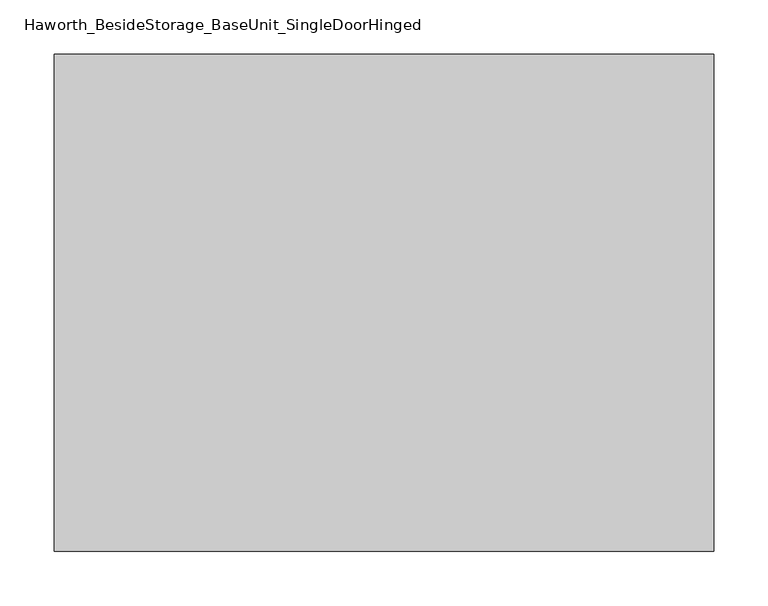
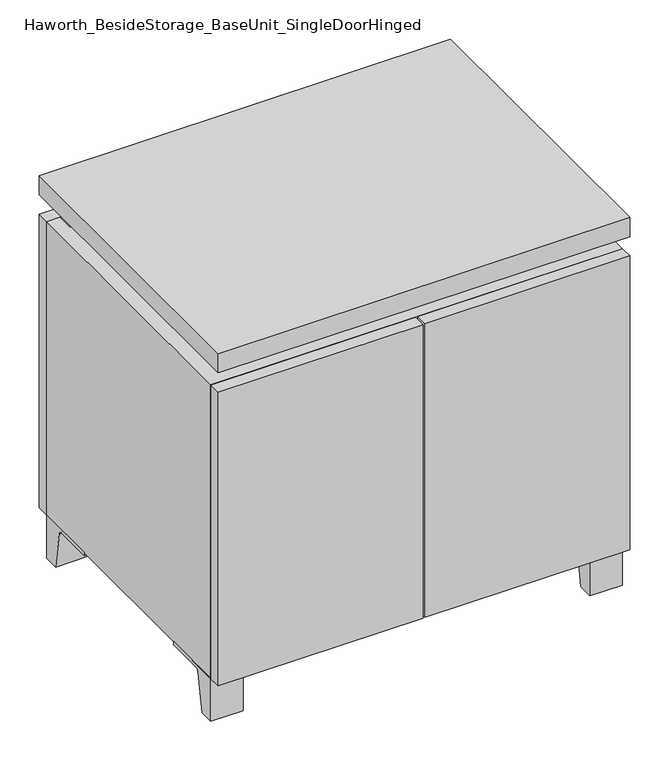
"""IFC4 building model written with IfcOpenShell, lengths in millimetres: furniture geometry, Haworth_BesideStorage_BaseUnit_SingleDoorHinged."""

import ifcopenshell
import ifcopenshell.guid

model = None  # the IFC model being written
_history = None  # IfcOwnerHistory: only IFC2X3 demands one
_inside = {}  # id of a spatial element -> (the spatial element, [elements in it])
_under = {}  # id of a project, library or spatial element -> (it, [spatial elements below it])
_declared = {}  # id of a project -> (the project, [libraries it declares])
_typed = {}  # id of a type object -> (the type object, [elements of that type])
_made_of = {}  # id of a material, layer set ... -> (it, [elements and type objects made of it])


def new_model(schema):
    """Start an empty IFC model of exactly this schema.

    Asked for "IFC4X3", IfcOpenShell would pick the latest addendum, in which some entities
    have other attributes; the version numbers below select the first issue.
    IFC2X3 requires an IfcOwnerHistory on every rooted entity: one is made here for all.
    """
    global model, _history
    if schema == "IFC4X3":
        model = ifcopenshell.file(schema_version=(4, 3, 0, 0))
    else:
        model = ifcopenshell.file(schema=schema)
    _inside.clear()
    _under.clear()
    _declared.clear()
    _typed.clear()
    _made_of.clear()
    _history = None
    if model.schema == "IFC2X3":
        org = make("IfcOrganization", Name="unknown")
        user = make(
            "IfcPersonAndOrganization",
            ThePerson=make("IfcPerson", FamilyName="unknown"),
            TheOrganization=org,
        )
        app = make(
            "IfcApplication",
            ApplicationDeveloper=org,
            Version="unknown",
            ApplicationFullName="unknown",
            ApplicationIdentifier="unknown",
        )
        _history = make(
            "IfcOwnerHistory",
            OwningUser=user,
            OwningApplication=app,
            ChangeAction="ADDED",
            CreationDate=0,
        )
    return model


def make(cls, **values):
    """One entity of the class cls with the attributes given. An attribute that is None is left unset."""
    return model.create_entity(
        cls, **{name: value for name, value in values.items() if value is not None}
    )


def rooted(cls, **values):
    """An entity with a GlobalId (a new one), such as an element, a storey or a relation."""
    return make(cls, GlobalId=ifcopenshell.guid.new(), OwnerHistory=_history, **values)


def si_unit(unit_type, name, prefix=None):
    """IfcSIUnit, for example si_unit("LENGTHUNIT", "METRE", prefix="MILLI")."""
    return make("IfcSIUnit", UnitType=unit_type, Prefix=prefix, Name=name)


def assignment(units):
    """IfcUnitAssignment: the units of a project."""
    return None if units is None else make("IfcUnitAssignment", Units=units)


def point(xyz):
    """IfcCartesianPoint."""
    return None if xyz is None else make("IfcCartesianPoint", Coordinates=xyz)


def direction(xyz):
    """IfcDirection."""
    return None if xyz is None else make("IfcDirection", DirectionRatios=xyz)


def frame(location, z_axis=None, x_axis=None):
    """IfcAxis2Placement3D, a coordinate frame: its origin and axes. An axis left out is left unset."""
    return make(
        "IfcAxis2Placement3D",
        Location=point(location),
        Axis=direction(z_axis),
        RefDirection=direction(x_axis),
    )


def frame_2d(location, x_axis=None):
    """IfcAxis2Placement2D, a coordinate frame in the plane: its origin and x axis."""
    return make(
        "IfcAxis2Placement2D", Location=point(location), RefDirection=direction(x_axis)
    )


def origin():
    """The frame at (0, 0, 0) with its axes left unset."""
    return frame((0.0, 0.0, 0.0))


def place(relative_to, where):
    """IfcLocalPlacement: puts the frame where relative to a parent placement (None: the world)."""
    return make(
        "IfcLocalPlacement", PlacementRelTo=relative_to, RelativePlacement=where
    )


def context(
    kind, dimensions, precision=None, world=None, true_north=None, identifier=None
):
    """IfcGeometricRepresentationContext, for example the 3D "Model" context."""
    return make(
        "IfcGeometricRepresentationContext",
        ContextIdentifier=identifier,
        ContextType=kind,
        CoordinateSpaceDimension=dimensions,
        Precision=precision,
        WorldCoordinateSystem=world,
        TrueNorth=true_north,
    )


def project(units=None, contexts=None):
    """IfcProject with its units and contexts."""
    return rooted(
        "IfcProject",
        Name="project",
        RepresentationContexts=contexts,
        UnitsInContext=assignment(units),
    )


def spatial(cls, under=None, at=None, **own):
    """A site, building, storey or space (cls), placed at a placement, below another one or the project."""
    s = rooted(cls, ObjectPlacement=at, **own)
    if under is not None:
        _under.setdefault(under.id(), (under, []))[1].append(s)
    return s


def polyline(points):
    """IfcPolyline through the points."""
    return make("IfcPolyline", Points=[point(p) for p in points])


def circle_curve(where, radius):
    """IfcCircle in the frame where."""
    return make("IfcCircle", Position=where, Radius=radius)


def trimmed(basis, trim1, trim2, sense, master):
    """IfcTrimmedCurve: the piece of a basis curve between two trims."""
    return make(
        "IfcTrimmedCurve",
        BasisCurve=basis,
        Trim1=trim1,
        Trim2=trim2,
        SenseAgreement=sense,
        MasterRepresentation=master,
    )


def segment(curve, same_sense, transition):
    """IfcCompositeCurveSegment."""
    return make(
        "IfcCompositeCurveSegment",
        Transition=transition,
        SameSense=same_sense,
        ParentCurve=curve,
    )


def composite_curve(segments, self_intersect=None):
    """IfcCompositeCurve: segments joined end to end."""
    return make("IfcCompositeCurve", Segments=segments, SelfIntersect=self_intersect)


def outline(outer, holes=None, kind="AREA"):
    """IfcArbitraryClosedProfileDef: a profile drawn as a closed curve; with holes, ...WithVoids."""
    if holes is None:
        return make("IfcArbitraryClosedProfileDef", ProfileType=kind, OuterCurve=outer)
    return make(
        "IfcArbitraryProfileDefWithVoids",
        ProfileType=kind,
        OuterCurve=outer,
        InnerCurves=holes,
    )


def extrude(swept, where, along, depth):
    """IfcExtrudedAreaSolid: the profile swept, set in the frame where, extruded along a direction by depth."""
    return make(
        "IfcExtrudedAreaSolid",
        SweptArea=swept,
        Position=where,
        ExtrudedDirection=direction(along),
        Depth=depth,
    )


def faces_of(points, faces, orient=None, outer=None):
    """IfcFace entities. A face is a list of loops; a loop is a list of indices into points, from 0.

    orient and outer hold one flag for each loop. By default every Orientation is true, the
    first loop of a face is its IfcFaceOuterBound and the others are IfcFaceBound.
    """
    made = []
    for i, loops in enumerate(faces):
        bounds = []
        for j, loop in enumerate(loops):
            is_outer = j == 0 if outer is None else outer[i][j]
            bounds.append(
                make(
                    "IfcFaceOuterBound" if is_outer else "IfcFaceBound",
                    Bound=make("IfcPolyLoop", Polygon=[points[k] for k in loop]),
                    Orientation=True if orient is None else orient[i][j],
                )
            )
        made.append(make("IfcFace", Bounds=bounds))
    return made


def faceted_brep(points, faces, orient=None, outer=None, voids=None):
    """IfcFacetedBrep: a solid bounded by flat faces; with voids (closed shells), ...WithVoids."""
    shared = [point(p) for p in points]
    hull = make("IfcClosedShell", CfsFaces=faces_of(shared, faces, orient, outer))
    if voids is None:
        return make("IfcFacetedBrep", Outer=hull)
    return make(
        "IfcFacetedBrepWithVoids",
        Outer=hull,
        Voids=[
            make(cls, CfsFaces=faces_of(shared, fs, o, b)) for cls, fs, o, b in voids
        ],
    )


def shape(context_of_items, identifier, shape_type, items):
    """IfcShapeRepresentation: the items that make up one representation, for example the "Body"."""
    return make(
        "IfcShapeRepresentation",
        ContextOfItems=context_of_items,
        RepresentationIdentifier=identifier,
        RepresentationType=shape_type,
        Items=items,
    )


def source(mapping_origin, context_of_items, identifier, shape_type, items):
    """IfcRepresentationMap: a shape defined once, which mapped items show again and again."""
    return make(
        "IfcRepresentationMap",
        MappingOrigin=mapping_origin,
        MappedRepresentation=shape(context_of_items, identifier, shape_type, items),
    )


def transform(
    local_origin,
    x_axis=None,
    y_axis=None,
    z_axis=None,
    scale=None,
    scale2=None,
    scale3=None,
    uniform=True,
):
    """IfcCartesianTransformationOperator3D, or its non-uniform kind. x_axis, y_axis, z_axis: its Axis1, 2, 3."""
    if uniform:
        return make(
            "IfcCartesianTransformationOperator3D",
            Axis1=direction(x_axis),
            Axis2=direction(y_axis),
            LocalOrigin=point(local_origin),
            Scale=scale,
            Axis3=direction(z_axis),
        )
    return make(
        "IfcCartesianTransformationOperator3DnonUniform",
        Axis1=direction(x_axis),
        Axis2=direction(y_axis),
        LocalOrigin=point(local_origin),
        Scale=scale,
        Axis3=direction(z_axis),
        Scale2=scale2,
        Scale3=scale3,
    )


def mapped(mapping_source, mapping_target):
    """IfcMappedItem: shows the shape of a source again, moved by a transform."""
    return make(
        "IfcMappedItem", MappingSource=mapping_source, MappingTarget=mapping_target
    )


def made_of(thing, what):
    """Note that an element or type object is made of a material, layer set ...; save() writes the relation."""
    if what is not None:
        _made_of.setdefault(what.id(), (what, []))[1].append(thing)
    return thing


def element(
    cls,
    number,
    at=None,
    inside=None,
    cuts=None,
    type_object=None,
    material=None,
    context=None,
    identifier="Body",
    shape_type=None,
    held_by="IfcProductDefinitionShape",
    body=None,
    shapes=None,
    **own,
):
    """One element of the class cls, such as IfcWall. Its Tag is "e" and its number.

    at: its placement. inside: the storey or other place that contains it. cuts: it is an
    opening in that element (IfcRelVoidsElement). A single representation is given by context,
    identifier, shape_type and body (its items); several are given by shapes. held_by: the class
    of the entity that holds the representations. save() writes the other relations.
    """
    e = rooted(cls, Tag="e%d" % number, ObjectPlacement=at, **own)
    if body is not None:
        shapes = [shape(context, identifier, shape_type, body)]
    if shapes is not None:
        e.Representation = make(held_by, Representations=shapes)
    if inside is not None:
        _inside.setdefault(inside.id(), (inside, []))[1].append(e)
    if cuts is not None:
        rooted(
            "IfcRelVoidsElement", RelatingBuildingElement=cuts, RelatedOpeningElement=e
        )
    if type_object is not None:
        _typed.setdefault(type_object.id(), (type_object, []))[1].append(e)
    return made_of(e, material)


def aggregate(whole, parts):
    """IfcRelAggregates: a whole, such as a stair, and the parts it consists of."""
    return rooted("IfcRelAggregates", RelatingObject=whole, RelatedObjects=parts)


def save(model, path):
    """Write the relations noted so far, then the file.

    IfcRelAggregates (storeys below a building ...), IfcRelContainedInSpatialStructure (elements
    in a storey), IfcRelDefinesByType, IfcRelAssociatesMaterial and IfcRelDeclares: one each for
    every whole, place, type object, material and project.
    """
    for whole, parts in _under.values():
        aggregate(whole, parts)
    for where, things in _inside.values():
        rooted(
            "IfcRelContainedInSpatialStructure",
            RelatedElements=things,
            RelatingStructure=where,
        )
    for kind, things in _typed.values():
        rooted("IfcRelDefinesByType", RelatedObjects=things, RelatingType=kind)
    for what, things in _made_of.values():
        rooted("IfcRelAssociatesMaterial", RelatedObjects=things, RelatingMaterial=what)
    for by, libraries in _declared.values():
        rooted("IfcRelDeclares", RelatingContext=by, RelatedDefinitions=libraries)
    model.write(path)


def haworth_besidestorage_baseunit_singledoorhinged_ac9c9934(model_context):
    return source(origin(), model_context, "Body", "SolidModel", [
        extrude(outline(composite_curve([segment(polyline([(-129.6458469, 0.0), (-152.4, 0.0), (-152.4, 66.675), (-57.15, 66.675), (-57.15, 61.8963321), (-113.9505345, 61.8963321)]), True, "CONTINUOUS"), segment(trimmed(circle_curve(frame_2d((-113.9505345, 55.5463321)), 6.35), [point((-113.9505345, 61.8963321))], [point((-120.2141359, 56.5902656))], True, "CARTESIAN"), True, "CONTINUOUS"), segment(polyline([(-120.2141359, 56.5902656), (-129.6458469, 0.0)]), True, "CONTINUOUS")], self_intersect=False)), frame((255.6013906, 0.0, 0.0), z_axis=(1.0, 0.0, 0.0), x_axis=(0.0, 1.0, 0.0)), (0.0, 0.0, 1.0), 47.625),
        extrude(outline(composite_curve([segment(polyline([(243.9458469, 0.0), (234.5141359, 56.5902656)]), True, "CONTINUOUS"), segment(trimmed(circle_curve(frame_2d((228.2505345, 55.5463321)), 6.35), [point((234.5141359, 56.5902656))], [point((228.2505345, 61.8963321))], True, "CARTESIAN"), True, "CONTINUOUS"), segment(polyline([(228.2505345, 61.8963321), (171.45, 61.8963321), (171.45, 66.675), (266.7, 66.675), (266.7, 0.0), (243.9458469, 0.0)]), True, "CONTINUOUS")], self_intersect=False)), frame((255.6013906, 0.0, 0.0), z_axis=(1.0, 0.0, 0.0), x_axis=(0.0, 1.0, 0.0)), (0.0, 0.0, 1.0), 47.625),
        extrude(outline(composite_curve([segment(polyline([(-129.6458469, 0.0), (-152.4, 0.0), (-152.4, 66.675), (-57.15, 66.675), (-57.15, 61.8963321), (-113.9505345, 61.8963321)]), True, "CONTINUOUS"), segment(trimmed(circle_curve(frame_2d((-113.9505345, 55.5463321)), 6.35), [point((-113.9505345, 61.8963321))], [point((-120.2141359, 56.5902656))], True, "CARTESIAN"), True, "CONTINUOUS"), segment(polyline([(-120.2141359, 56.5902656), (-129.6458469, 0.0)]), True, "CONTINUOUS")], self_intersect=False)), frame((-303.1986094, 0.0, 0.0), z_axis=(1.0, 0.0, 0.0), x_axis=(0.0, 1.0, 0.0)), (0.0, 0.0, 1.0), 47.625),
        extrude(outline(composite_curve([segment(polyline([(243.9458469, 0.0), (234.5141359, 56.5902656)]), True, "CONTINUOUS"), segment(trimmed(circle_curve(frame_2d((228.2505345, 55.5463321)), 6.35), [point((234.5141359, 56.5902656))], [point((228.2505345, 61.8963321))], True, "CARTESIAN"), True, "CONTINUOUS"), segment(polyline([(228.2505345, 61.8963321), (171.45, 61.8963321), (171.45, 66.675), (266.7, 66.675), (266.7, 0.0), (243.9458469, 0.0)]), True, "CONTINUOUS")], self_intersect=False)), frame((-303.1986094, 0.0, 0.0), z_axis=(1.0, 0.0, 0.0), x_axis=(0.0, 1.0, 0.0)), (0.0, 0.0, 1.0), 47.625),
        faceted_brep([(-303.1986094, -152.4, 66.675), (303.2125, -152.4, 66.675), (303.2125, -152.4, 523.875), (-303.1986094, -152.4, 523.875), (-284.1486094, -152.4, 85.725), (-284.1486094, -152.4, 504.825), (284.1694453, -152.4, 504.825), (284.1486094, -152.4, 85.725), (-303.1986094, 266.7, 66.675), (-303.1986094, 266.7, 523.875), (-284.1486094, 266.7, 523.875), (-284.1486094, 266.7, 85.725), (284.1486094, 266.7, 85.725), (284.1486094, 266.7, 523.875), (303.2125, 266.7, 523.875), (303.2125, 266.7, 66.675), (284.1486094, 241.3, 523.875), (-284.1416641, 241.3, 523.875), (-284.1486094, 241.3, 504.825), (284.1486094, 241.3, 504.825)], [[[0, 1, 2, 3], [4, 5, 6, 7]], [[8, 9, 10, 11, 12, 13, 14, 15]], [[1, 0, 8, 15]], [[2, 1, 15, 14]], [[3, 2, 14, 13, 16, 17, 10, 9]], [[0, 3, 9, 8]], [[11, 10, 17, 18, 5, 4]], [[13, 12, 7, 6, 19, 16]], [[4, 7, 12, 11]], [[6, 5, 18, 19]], [[17, 16, 19, 18]]]),
        extrude(outline(polyline([(303.2263906, -171.45), (-303.1986094, -171.45), (-303.1986094, 285.75), (303.2263906, 285.75), (303.2263906, -171.45)])), frame((0.0, 0.0, 554.0375), z_axis=(0.0, 0.0, 1.0), x_axis=(1.0, 0.0, 0.0)), (0.0, 0.0, 1.0), 30.1625),
        faceted_brep([(7.9513906, -76.2, 554.0375), (7.9513906, -76.2, 523.875), (7.9513906, 47.625, 523.875), (7.9513906, 47.625, 554.0375), (7.9513906, 190.5, 523.875), (7.9513906, 190.5, 554.0375), (7.9513906, 66.675, 554.0375), (7.9513906, 66.675, 523.875), (-7.9236094, 190.5, 554.0375), (-7.9236094, 190.5, 523.875), (-7.9236094, 66.675, 523.875), (-7.9236094, 66.675, 554.0375), (-7.9236094, -76.2, 523.875), (-7.9236094, -76.2, 554.0375), (-7.9236094, 47.625, 554.0375), (-7.9236094, 47.625, 523.875), (-261.8958281, 66.675, 554.0375), (-261.9166641, 241.3, 554.0375), (-277.7916641, 241.3, 554.0375), (-277.7916641, -127.0, 554.0375), (-261.9166641, -127.0, 554.0375), (-261.9166641, 47.625, 554.0375), (261.9236094, 47.625, 554.0375), (261.9236094, -127.0, 554.0375), (277.7986094, -127.0, 554.0375), (277.7986094, 241.3, 554.0375), (261.9236094, 241.3, 554.0375), (261.9236094, 66.675, 554.0375), (-261.8958281, 47.625, 523.875), (-261.9166641, -127.0, 523.875), (-277.7916641, -127.0, 523.875), (-277.7916641, 241.3, 523.875), (-261.9166641, 241.3, 523.875), (-261.9166641, 66.675, 523.875), (261.9236094, 66.675, 523.875), (261.9236094, 241.3, 523.875), (277.7986094, 241.3, 523.875), (277.7986094, -127.0, 523.875), (261.9236094, -127.0, 523.875), (261.9236094, 47.625, 523.875)], [[[0, 1, 2, 3]], [[4, 5, 6, 7]], [[8, 9, 10, 11]], [[12, 13, 14, 15]], [[5, 8, 11, 16, 17, 18, 19, 20, 21, 14, 13, 0, 3, 22, 23, 24, 25, 26, 27, 6]], [[1, 12, 15, 28, 29, 30, 31, 32, 33, 10, 9, 4, 7, 34, 35, 36, 37, 38, 39, 2]], [[5, 4, 9, 8]], [[1, 0, 13, 12]], [[6, 27, 34, 7]], [[22, 3, 2, 39]], [[20, 29, 28, 21]], [[32, 17, 16, 33]], [[18, 31, 30, 19]], [[29, 20, 19, 30]], [[17, 32, 31, 18]], [[26, 35, 34, 27]], [[38, 23, 22, 39]], [[25, 24, 37, 36]], [[23, 38, 37, 24]], [[35, 26, 25, 36]], [[16, 11, 10, 33]], [[14, 21, 28, 15]]]),
        extrude(outline(polyline([(303.2263906, 266.7), (-303.1986094, 266.7), (-303.1986094, 285.75), (303.2263906, 285.75), (303.2263906, 266.7)])), frame((0.0, 0.0, 66.675), z_axis=(0.0, 0.0, 1.0), x_axis=(1.0, 0.0, 0.0)), (0.0, 0.0, 1.0), 457.2),
        extrude(outline(polyline([(-284.1416641, 196.85), (-284.1416641, 203.2), (284.1694453, 203.2), (284.1694453, 196.85), (-284.1416641, 196.85)])), frame((0.0, 0.0, 85.725), z_axis=(0.0, 0.0, 1.0), x_axis=(1.0, 0.0, 0.0)), (0.0, 0.0, 1.0), 419.1),
        extrude(outline(polyline([(1.6013906, -171.45), (1.6013906, -152.4), (303.2263906, -152.4), (303.2263906, -171.45), (1.6013906, -171.45)])), frame((0.0, 0.0, 66.675), z_axis=(0.0, 0.0, 1.0), x_axis=(1.0, 0.0, 0.0)), (0.0, 0.0, 1.0), 457.2),
        extrude(outline(polyline([(-1.5736094, -171.45), (-303.1986094, -171.45), (-303.1986094, -152.4), (-1.5736094, -152.4), (-1.5736094, -171.45)])), frame((0.0, 0.0, 66.675), z_axis=(0.0, 0.0, 1.0), x_axis=(1.0, 0.0, 0.0)), (0.0, 0.0, 1.0), 457.2),
    ])


if __name__ == "__main__":
    model = new_model("IFC4")
    model_context = context("Model", 3, world=origin())
    ifc_project = project(units=[si_unit("LENGTHUNIT", "METRE", prefix="MILLI")], contexts=[model_context])
    site = spatial("IfcSite", under=ifc_project)
    building = spatial("IfcBuilding", under=site)
    placement = place(None, origin())
    haworth_besidestorage_baseunit_singledoorhinged_shape = haworth_besidestorage_baseunit_singledoorhinged_ac9c9934(model_context)
    element("IfcFurniture", 1, ObjectType="Haworth_BesideStorage_BaseUnit_SingleDoorHinged", at=placement, inside=building, context=model_context, shape_type="MappedRepresentation", body=[
        mapped(haworth_besidestorage_baseunit_singledoorhinged_shape, transform((0.0, 0.0, 0.0), x_axis=(1.0, 0.0, 0.0), y_axis=(0.0, 1.0, 0.0), z_axis=(0.0, 0.0, 1.0))),
    ])
    save(model, "model.ifc")
